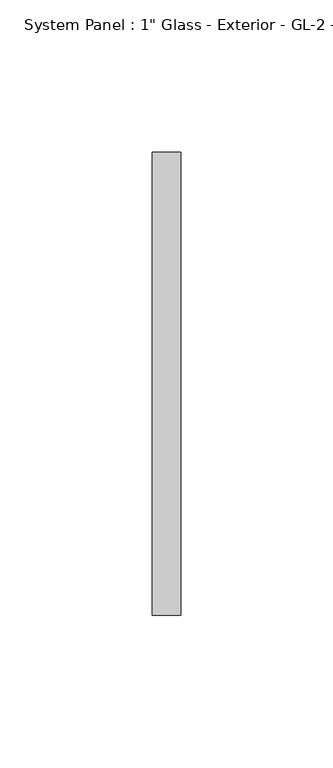
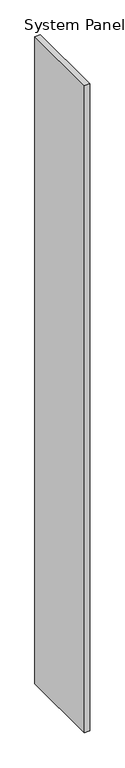
"""IFC4 building model written with IfcOpenShell, lengths in millimetres: plate geometry."""

from ifc_helpers import new_model, si_unit, origin, origin_with_axes, place, context, project, spatial, polyline, outline, extrude, source, transform, mapped, element, save


def plate_e0267def(model_context):
    return source(origin(), model_context, "Body", "SweptSolid", [
        extrude(outline(polyline([(4.7625, 0.0), (-4.7625, 0.0), (-4.7625, 152.4), (4.7625, 152.4), (4.7625, 0.0)])), origin_with_axes(), (0.0, 0.0, 1.0), 1219.2),
    ])


if __name__ == "__main__":
    model = new_model("IFC4")
    model_context = context("Model", 3, world=origin())
    ifc_project = project(units=[si_unit("LENGTHUNIT", "METRE", prefix="MILLI")], contexts=[model_context])
    site = spatial("IfcSite", under=ifc_project)
    building = spatial("IfcBuilding", under=site)
    placement = place(None, origin())
    plate_shape = plate_e0267def(model_context)
    element("IfcPlate", 1, ObjectType="System Panel : 1\" Glass - Exterior - GL-2 - Shadow Box", at=placement, inside=building, context=model_context, shape_type="MappedRepresentation", body=[
        mapped(plate_shape, transform((0.0, 0.0, 0.0), x_axis=(1.0, 0.0, 0.0), y_axis=(0.0, 1.0, 0.0), z_axis=(0.0, 0.0, 1.0))),
    ])
    save(model, "model.ifc")
